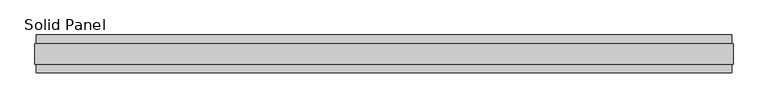
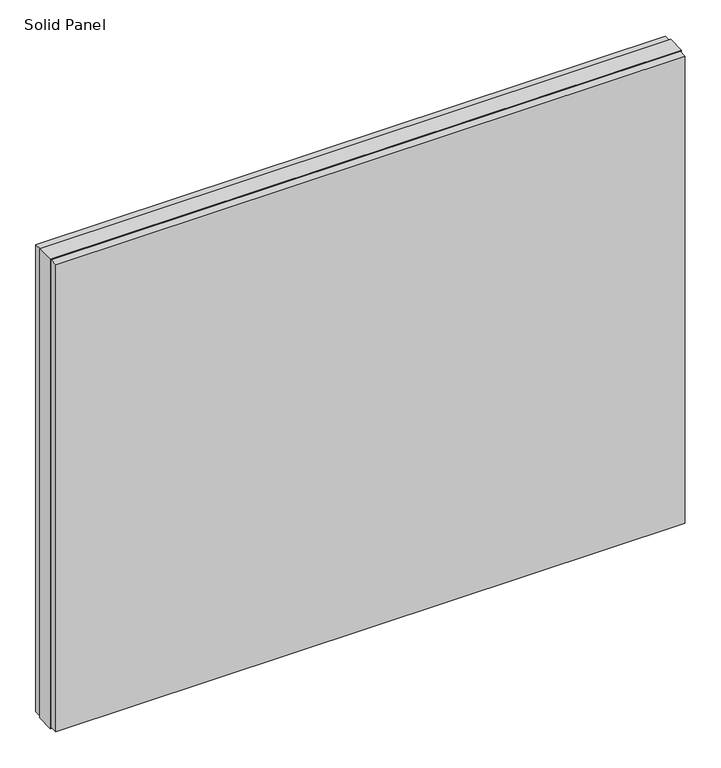
"""IFC4 building model written with IfcOpenShell, lengths in millimetres: plate geometry, Solid Panel."""

import ifcopenshell
import ifcopenshell.guid

model = None  # the IFC model being written
_history = None  # IfcOwnerHistory: only IFC2X3 demands one
_inside = {}  # id of a spatial element -> (the spatial element, [elements in it])
_under = {}  # id of a project, library or spatial element -> (it, [spatial elements below it])
_declared = {}  # id of a project -> (the project, [libraries it declares])
_typed = {}  # id of a type object -> (the type object, [elements of that type])
_made_of = {}  # id of a material, layer set ... -> (it, [elements and type objects made of it])


def new_model(schema):
    """Start an empty IFC model of exactly this schema.

    Asked for "IFC4X3", IfcOpenShell would pick the latest addendum, in which some entities
    have other attributes; the version numbers below select the first issue.
    IFC2X3 requires an IfcOwnerHistory on every rooted entity: one is made here for all.
    """
    global model, _history
    if schema == "IFC4X3":
        model = ifcopenshell.file(schema_version=(4, 3, 0, 0))
    else:
        model = ifcopenshell.file(schema=schema)
    _inside.clear()
    _under.clear()
    _declared.clear()
    _typed.clear()
    _made_of.clear()
    _history = None
    if model.schema == "IFC2X3":
        org = make("IfcOrganization", Name="unknown")
        user = make(
            "IfcPersonAndOrganization",
            ThePerson=make("IfcPerson", FamilyName="unknown"),
            TheOrganization=org,
        )
        app = make(
            "IfcApplication",
            ApplicationDeveloper=org,
            Version="unknown",
            ApplicationFullName="unknown",
            ApplicationIdentifier="unknown",
        )
        _history = make(
            "IfcOwnerHistory",
            OwningUser=user,
            OwningApplication=app,
            ChangeAction="ADDED",
            CreationDate=0,
        )
    return model


def make(cls, **values):
    """One entity of the class cls with the attributes given. An attribute that is None is left unset."""
    return model.create_entity(
        cls, **{name: value for name, value in values.items() if value is not None}
    )


def rooted(cls, **values):
    """An entity with a GlobalId (a new one), such as an element, a storey or a relation."""
    return make(cls, GlobalId=ifcopenshell.guid.new(), OwnerHistory=_history, **values)


def si_unit(unit_type, name, prefix=None):
    """IfcSIUnit, for example si_unit("LENGTHUNIT", "METRE", prefix="MILLI")."""
    return make("IfcSIUnit", UnitType=unit_type, Prefix=prefix, Name=name)


def assignment(units):
    """IfcUnitAssignment: the units of a project."""
    return None if units is None else make("IfcUnitAssignment", Units=units)


def point(xyz):
    """IfcCartesianPoint."""
    return None if xyz is None else make("IfcCartesianPoint", Coordinates=xyz)


def direction(xyz):
    """IfcDirection."""
    return None if xyz is None else make("IfcDirection", DirectionRatios=xyz)


def frame(location, z_axis=None, x_axis=None):
    """IfcAxis2Placement3D, a coordinate frame: its origin and axes. An axis left out is left unset."""
    return make(
        "IfcAxis2Placement3D",
        Location=point(location),
        Axis=direction(z_axis),
        RefDirection=direction(x_axis),
    )


def origin():
    """The frame at (0, 0, 0) with its axes left unset."""
    return frame((0.0, 0.0, 0.0))


def origin_with_axes():
    """The frame at (0, 0, 0) with the z axis (0, 0, 1) and the x axis (1, 0, 0) written out."""
    return frame((0.0, 0.0, 0.0), z_axis=(0.0, 0.0, 1.0), x_axis=(1.0, 0.0, 0.0))


def place(relative_to, where):
    """IfcLocalPlacement: puts the frame where relative to a parent placement (None: the world)."""
    return make(
        "IfcLocalPlacement", PlacementRelTo=relative_to, RelativePlacement=where
    )


def context(
    kind, dimensions, precision=None, world=None, true_north=None, identifier=None
):
    """IfcGeometricRepresentationContext, for example the 3D "Model" context."""
    return make(
        "IfcGeometricRepresentationContext",
        ContextIdentifier=identifier,
        ContextType=kind,
        CoordinateSpaceDimension=dimensions,
        Precision=precision,
        WorldCoordinateSystem=world,
        TrueNorth=true_north,
    )


def project(units=None, contexts=None):
    """IfcProject with its units and contexts."""
    return rooted(
        "IfcProject",
        Name="project",
        RepresentationContexts=contexts,
        UnitsInContext=assignment(units),
    )


def spatial(cls, under=None, at=None, **own):
    """A site, building, storey or space (cls), placed at a placement, below another one or the project."""
    s = rooted(cls, ObjectPlacement=at, **own)
    if under is not None:
        _under.setdefault(under.id(), (under, []))[1].append(s)
    return s


def polyline(points):
    """IfcPolyline through the points."""
    return make("IfcPolyline", Points=[point(p) for p in points])


def outline(outer, holes=None, kind="AREA"):
    """IfcArbitraryClosedProfileDef: a profile drawn as a closed curve; with holes, ...WithVoids."""
    if holes is None:
        return make("IfcArbitraryClosedProfileDef", ProfileType=kind, OuterCurve=outer)
    return make(
        "IfcArbitraryProfileDefWithVoids",
        ProfileType=kind,
        OuterCurve=outer,
        InnerCurves=holes,
    )


def extrude(swept, where, along, depth):
    """IfcExtrudedAreaSolid: the profile swept, set in the frame where, extruded along a direction by depth."""
    return make(
        "IfcExtrudedAreaSolid",
        SweptArea=swept,
        Position=where,
        ExtrudedDirection=direction(along),
        Depth=depth,
    )


def shape(context_of_items, identifier, shape_type, items):
    """IfcShapeRepresentation: the items that make up one representation, for example the "Body"."""
    return make(
        "IfcShapeRepresentation",
        ContextOfItems=context_of_items,
        RepresentationIdentifier=identifier,
        RepresentationType=shape_type,
        Items=items,
    )


def source(mapping_origin, context_of_items, identifier, shape_type, items):
    """IfcRepresentationMap: a shape defined once, which mapped items show again and again."""
    return make(
        "IfcRepresentationMap",
        MappingOrigin=mapping_origin,
        MappedRepresentation=shape(context_of_items, identifier, shape_type, items),
    )


def transform(
    local_origin,
    x_axis=None,
    y_axis=None,
    z_axis=None,
    scale=None,
    scale2=None,
    scale3=None,
    uniform=True,
):
    """IfcCartesianTransformationOperator3D, or its non-uniform kind. x_axis, y_axis, z_axis: its Axis1, 2, 3."""
    if uniform:
        return make(
            "IfcCartesianTransformationOperator3D",
            Axis1=direction(x_axis),
            Axis2=direction(y_axis),
            LocalOrigin=point(local_origin),
            Scale=scale,
            Axis3=direction(z_axis),
        )
    return make(
        "IfcCartesianTransformationOperator3DnonUniform",
        Axis1=direction(x_axis),
        Axis2=direction(y_axis),
        LocalOrigin=point(local_origin),
        Scale=scale,
        Axis3=direction(z_axis),
        Scale2=scale2,
        Scale3=scale3,
    )


def mapped(mapping_source, mapping_target):
    """IfcMappedItem: shows the shape of a source again, moved by a transform."""
    return make(
        "IfcMappedItem", MappingSource=mapping_source, MappingTarget=mapping_target
    )


def made_of(thing, what):
    """Note that an element or type object is made of a material, layer set ...; save() writes the relation."""
    if what is not None:
        _made_of.setdefault(what.id(), (what, []))[1].append(thing)
    return thing


def element(
    cls,
    number,
    at=None,
    inside=None,
    cuts=None,
    type_object=None,
    material=None,
    context=None,
    identifier="Body",
    shape_type=None,
    held_by="IfcProductDefinitionShape",
    body=None,
    shapes=None,
    **own,
):
    """One element of the class cls, such as IfcWall. Its Tag is "e" and its number.

    at: its placement. inside: the storey or other place that contains it. cuts: it is an
    opening in that element (IfcRelVoidsElement). A single representation is given by context,
    identifier, shape_type and body (its items); several are given by shapes. held_by: the class
    of the entity that holds the representations. save() writes the other relations.
    """
    e = rooted(cls, Tag="e%d" % number, ObjectPlacement=at, **own)
    if body is not None:
        shapes = [shape(context, identifier, shape_type, body)]
    if shapes is not None:
        e.Representation = make(held_by, Representations=shapes)
    if inside is not None:
        _inside.setdefault(inside.id(), (inside, []))[1].append(e)
    if cuts is not None:
        rooted(
            "IfcRelVoidsElement", RelatingBuildingElement=cuts, RelatedOpeningElement=e
        )
    if type_object is not None:
        _typed.setdefault(type_object.id(), (type_object, []))[1].append(e)
    return made_of(e, material)


def aggregate(whole, parts):
    """IfcRelAggregates: a whole, such as a stair, and the parts it consists of."""
    return rooted("IfcRelAggregates", RelatingObject=whole, RelatedObjects=parts)


def save(model, path):
    """Write the relations noted so far, then the file.

    IfcRelAggregates (storeys below a building ...), IfcRelContainedInSpatialStructure (elements
    in a storey), IfcRelDefinesByType, IfcRelAssociatesMaterial and IfcRelDeclares: one each for
    every whole, place, type object, material and project.
    """
    for whole, parts in _under.values():
        aggregate(whole, parts)
    for where, things in _inside.values():
        rooted(
            "IfcRelContainedInSpatialStructure",
            RelatedElements=things,
            RelatingStructure=where,
        )
    for kind, things in _typed.values():
        rooted("IfcRelDefinesByType", RelatedObjects=things, RelatingType=kind)
    for what, things in _made_of.values():
        rooted("IfcRelAssociatesMaterial", RelatedObjects=things, RelatingMaterial=what)
    for by, libraries in _declared.values():
        rooted("IfcRelDeclares", RelatingContext=by, RelatedDefinitions=libraries)
    model.write(path)


def solid_panel_bb616c6f(model_context):
    return source(origin(), model_context, "Body", "SweptSolid", [
        extrude(outline(polyline([(886.5301458, -48.4531867), (-886.5301458, -48.4531867), (-886.5301458, -25.9961), (886.5301458, -25.9961), (886.5301458, -48.4531867)])), frame((0.0, 0.0, 3.0099), z_axis=(0.0, 0.0, 1.0), x_axis=(1.0, 0.0, 0.0)), (0.0, 0.0, 1.0), 1390.9802),
        extrude(outline(polyline([(886.5301458, 25.9977), (-886.5301458, 25.9977), (-886.5301458, 48.4547867), (886.5301458, 48.4547867), (886.5301458, 25.9977)])), frame((0.0, 0.0, 3.0099), z_axis=(0.0, 0.0, 1.0), x_axis=(1.0, 0.0, 0.0)), (0.0, 0.0, 1.0), 1390.9802),
        extrude(outline(polyline([(889.5273458, -25.9961), (-889.5273458, -25.9961), (-889.5273458, 25.9977), (889.5273458, 25.9977), (889.5273458, -25.9961)])), origin_with_axes(), (0.0, 0.0, 1.0), 1397.0),
    ])


if __name__ == "__main__":
    model = new_model("IFC4")
    model_context = context("Model", 3, world=origin())
    ifc_project = project(units=[si_unit("LENGTHUNIT", "METRE", prefix="MILLI")], contexts=[model_context])
    site = spatial("IfcSite", under=ifc_project)
    building = spatial("IfcBuilding", under=site)
    placement = place(None, origin())
    solid_panel_shape = solid_panel_bb616c6f(model_context)
    element("IfcPlate", 1, ObjectType="Solid Panel", at=placement, inside=building, context=model_context, shape_type="MappedRepresentation", body=[
        mapped(solid_panel_shape, transform((0.0, 0.0, 0.0), x_axis=(1.0, 0.0, 0.0), y_axis=(0.0, 1.0, 0.0), z_axis=(0.0, 0.0, 1.0))),
    ])
    save(model, "model.ifc")
